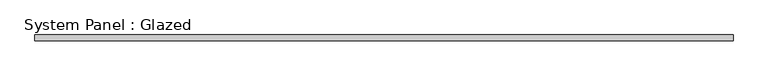
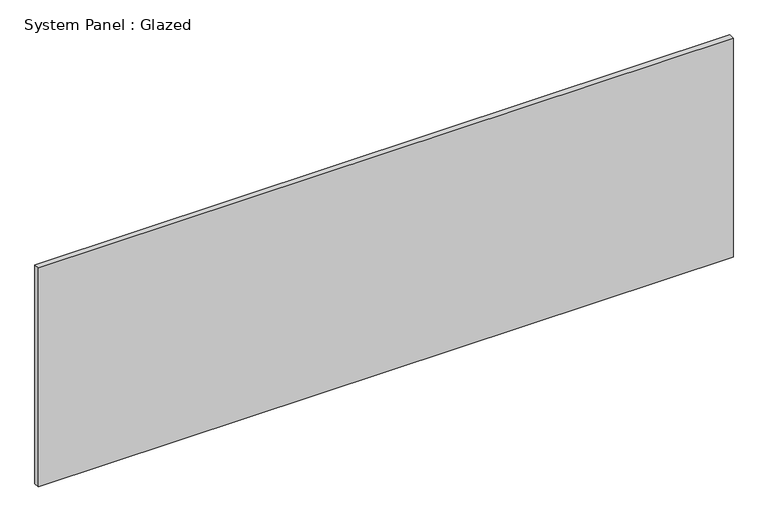
"""IFC4 building model written with IfcOpenShell, lengths in millimetres: plate geometry, System Panel : Glazed."""

import ifcopenshell
import ifcopenshell.guid

model = None  # the IFC model being written
_history = None  # IfcOwnerHistory: only IFC2X3 demands one
_inside = {}  # id of a spatial element -> (the spatial element, [elements in it])
_under = {}  # id of a project, library or spatial element -> (it, [spatial elements below it])
_declared = {}  # id of a project -> (the project, [libraries it declares])
_typed = {}  # id of a type object -> (the type object, [elements of that type])
_made_of = {}  # id of a material, layer set ... -> (it, [elements and type objects made of it])


def new_model(schema):
    """Start an empty IFC model of exactly this schema.

    Asked for "IFC4X3", IfcOpenShell would pick the latest addendum, in which some entities
    have other attributes; the version numbers below select the first issue.
    IFC2X3 requires an IfcOwnerHistory on every rooted entity: one is made here for all.
    """
    global model, _history
    if schema == "IFC4X3":
        model = ifcopenshell.file(schema_version=(4, 3, 0, 0))
    else:
        model = ifcopenshell.file(schema=schema)
    _inside.clear()
    _under.clear()
    _declared.clear()
    _typed.clear()
    _made_of.clear()
    _history = None
    if model.schema == "IFC2X3":
        org = make("IfcOrganization", Name="unknown")
        user = make(
            "IfcPersonAndOrganization",
            ThePerson=make("IfcPerson", FamilyName="unknown"),
            TheOrganization=org,
        )
        app = make(
            "IfcApplication",
            ApplicationDeveloper=org,
            Version="unknown",
            ApplicationFullName="unknown",
            ApplicationIdentifier="unknown",
        )
        _history = make(
            "IfcOwnerHistory",
            OwningUser=user,
            OwningApplication=app,
            ChangeAction="ADDED",
            CreationDate=0,
        )
    return model


def make(cls, **values):
    """One entity of the class cls with the attributes given. An attribute that is None is left unset."""
    return model.create_entity(
        cls, **{name: value for name, value in values.items() if value is not None}
    )


def rooted(cls, **values):
    """An entity with a GlobalId (a new one), such as an element, a storey or a relation."""
    return make(cls, GlobalId=ifcopenshell.guid.new(), OwnerHistory=_history, **values)


def si_unit(unit_type, name, prefix=None):
    """IfcSIUnit, for example si_unit("LENGTHUNIT", "METRE", prefix="MILLI")."""
    return make("IfcSIUnit", UnitType=unit_type, Prefix=prefix, Name=name)


def assignment(units):
    """IfcUnitAssignment: the units of a project."""
    return None if units is None else make("IfcUnitAssignment", Units=units)


def point(xyz):
    """IfcCartesianPoint."""
    return None if xyz is None else make("IfcCartesianPoint", Coordinates=xyz)


def direction(xyz):
    """IfcDirection."""
    return None if xyz is None else make("IfcDirection", DirectionRatios=xyz)


def frame(location, z_axis=None, x_axis=None):
    """IfcAxis2Placement3D, a coordinate frame: its origin and axes. An axis left out is left unset."""
    return make(
        "IfcAxis2Placement3D",
        Location=point(location),
        Axis=direction(z_axis),
        RefDirection=direction(x_axis),
    )


def origin():
    """The frame at (0, 0, 0) with its axes left unset."""
    return frame((0.0, 0.0, 0.0))


def origin_with_axes():
    """The frame at (0, 0, 0) with the z axis (0, 0, 1) and the x axis (1, 0, 0) written out."""
    return frame((0.0, 0.0, 0.0), z_axis=(0.0, 0.0, 1.0), x_axis=(1.0, 0.0, 0.0))


def place(relative_to, where):
    """IfcLocalPlacement: puts the frame where relative to a parent placement (None: the world)."""
    return make(
        "IfcLocalPlacement", PlacementRelTo=relative_to, RelativePlacement=where
    )


def context(
    kind, dimensions, precision=None, world=None, true_north=None, identifier=None
):
    """IfcGeometricRepresentationContext, for example the 3D "Model" context."""
    return make(
        "IfcGeometricRepresentationContext",
        ContextIdentifier=identifier,
        ContextType=kind,
        CoordinateSpaceDimension=dimensions,
        Precision=precision,
        WorldCoordinateSystem=world,
        TrueNorth=true_north,
    )


def project(units=None, contexts=None):
    """IfcProject with its units and contexts."""
    return rooted(
        "IfcProject",
        Name="project",
        RepresentationContexts=contexts,
        UnitsInContext=assignment(units),
    )


def spatial(cls, under=None, at=None, **own):
    """A site, building, storey or space (cls), placed at a placement, below another one or the project."""
    s = rooted(cls, ObjectPlacement=at, **own)
    if under is not None:
        _under.setdefault(under.id(), (under, []))[1].append(s)
    return s


def polyline(points):
    """IfcPolyline through the points."""
    return make("IfcPolyline", Points=[point(p) for p in points])


def outline(outer, holes=None, kind="AREA"):
    """IfcArbitraryClosedProfileDef: a profile drawn as a closed curve; with holes, ...WithVoids."""
    if holes is None:
        return make("IfcArbitraryClosedProfileDef", ProfileType=kind, OuterCurve=outer)
    return make(
        "IfcArbitraryProfileDefWithVoids",
        ProfileType=kind,
        OuterCurve=outer,
        InnerCurves=holes,
    )


def extrude(swept, where, along, depth):
    """IfcExtrudedAreaSolid: the profile swept, set in the frame where, extruded along a direction by depth."""
    return make(
        "IfcExtrudedAreaSolid",
        SweptArea=swept,
        Position=where,
        ExtrudedDirection=direction(along),
        Depth=depth,
    )


def shape(context_of_items, identifier, shape_type, items):
    """IfcShapeRepresentation: the items that make up one representation, for example the "Body"."""
    return make(
        "IfcShapeRepresentation",
        ContextOfItems=context_of_items,
        RepresentationIdentifier=identifier,
        RepresentationType=shape_type,
        Items=items,
    )


def source(mapping_origin, context_of_items, identifier, shape_type, items):
    """IfcRepresentationMap: a shape defined once, which mapped items show again and again."""
    return make(
        "IfcRepresentationMap",
        MappingOrigin=mapping_origin,
        MappedRepresentation=shape(context_of_items, identifier, shape_type, items),
    )


def transform(
    local_origin,
    x_axis=None,
    y_axis=None,
    z_axis=None,
    scale=None,
    scale2=None,
    scale3=None,
    uniform=True,
):
    """IfcCartesianTransformationOperator3D, or its non-uniform kind. x_axis, y_axis, z_axis: its Axis1, 2, 3."""
    if uniform:
        return make(
            "IfcCartesianTransformationOperator3D",
            Axis1=direction(x_axis),
            Axis2=direction(y_axis),
            LocalOrigin=point(local_origin),
            Scale=scale,
            Axis3=direction(z_axis),
        )
    return make(
        "IfcCartesianTransformationOperator3DnonUniform",
        Axis1=direction(x_axis),
        Axis2=direction(y_axis),
        LocalOrigin=point(local_origin),
        Scale=scale,
        Axis3=direction(z_axis),
        Scale2=scale2,
        Scale3=scale3,
    )


def mapped(mapping_source, mapping_target):
    """IfcMappedItem: shows the shape of a source again, moved by a transform."""
    return make(
        "IfcMappedItem", MappingSource=mapping_source, MappingTarget=mapping_target
    )


def made_of(thing, what):
    """Note that an element or type object is made of a material, layer set ...; save() writes the relation."""
    if what is not None:
        _made_of.setdefault(what.id(), (what, []))[1].append(thing)
    return thing


def element(
    cls,
    number,
    at=None,
    inside=None,
    cuts=None,
    type_object=None,
    material=None,
    context=None,
    identifier="Body",
    shape_type=None,
    held_by="IfcProductDefinitionShape",
    body=None,
    shapes=None,
    **own,
):
    """One element of the class cls, such as IfcWall. Its Tag is "e" and its number.

    at: its placement. inside: the storey or other place that contains it. cuts: it is an
    opening in that element (IfcRelVoidsElement). A single representation is given by context,
    identifier, shape_type and body (its items); several are given by shapes. held_by: the class
    of the entity that holds the representations. save() writes the other relations.
    """
    e = rooted(cls, Tag="e%d" % number, ObjectPlacement=at, **own)
    if body is not None:
        shapes = [shape(context, identifier, shape_type, body)]
    if shapes is not None:
        e.Representation = make(held_by, Representations=shapes)
    if inside is not None:
        _inside.setdefault(inside.id(), (inside, []))[1].append(e)
    if cuts is not None:
        rooted(
            "IfcRelVoidsElement", RelatingBuildingElement=cuts, RelatedOpeningElement=e
        )
    if type_object is not None:
        _typed.setdefault(type_object.id(), (type_object, []))[1].append(e)
    return made_of(e, material)


def aggregate(whole, parts):
    """IfcRelAggregates: a whole, such as a stair, and the parts it consists of."""
    return rooted("IfcRelAggregates", RelatingObject=whole, RelatedObjects=parts)


def save(model, path):
    """Write the relations noted so far, then the file.

    IfcRelAggregates (storeys below a building ...), IfcRelContainedInSpatialStructure (elements
    in a storey), IfcRelDefinesByType, IfcRelAssociatesMaterial and IfcRelDeclares: one each for
    every whole, place, type object, material and project.
    """
    for whole, parts in _under.values():
        aggregate(whole, parts)
    for where, things in _inside.values():
        rooted(
            "IfcRelContainedInSpatialStructure",
            RelatedElements=things,
            RelatingStructure=where,
        )
    for kind, things in _typed.values():
        rooted("IfcRelDefinesByType", RelatedObjects=things, RelatingType=kind)
    for what, things in _made_of.values():
        rooted("IfcRelAssociatesMaterial", RelatedObjects=things, RelatingMaterial=what)
    for by, libraries in _declared.values():
        rooted("IfcRelDeclares", RelatingContext=by, RelatedDefinitions=libraries)
    model.write(path)


def system_panel_glazed_27c984d1(model_context):
    return source(origin(), model_context, "Body", "SweptSolid", [
        extrude(outline(polyline([(1500.0, 24.5), (-1500.0, 24.5), (-1500.0, 49.5), (1500.0, 49.5), (1500.0, 24.5)])), origin_with_axes(), (0.0, 0.0, 1.0), 1000.0),
    ])


if __name__ == "__main__":
    model = new_model("IFC4")
    model_context = context("Model", 3, world=origin())
    ifc_project = project(units=[si_unit("LENGTHUNIT", "METRE", prefix="MILLI")], contexts=[model_context])
    site = spatial("IfcSite", under=ifc_project)
    building = spatial("IfcBuilding", under=site)
    placement = place(None, origin())
    system_panel_glazed_shape = system_panel_glazed_27c984d1(model_context)
    element("IfcPlate", 1, ObjectType="System Panel : Glazed", at=placement, inside=building, context=model_context, shape_type="MappedRepresentation", body=[
        mapped(system_panel_glazed_shape, transform((0.0, 0.0, 0.0), x_axis=(1.0, 0.0, 0.0), y_axis=(0.0, 1.0, 0.0), z_axis=(0.0, 0.0, 1.0))),
    ])
    save(model, "model.ifc")
